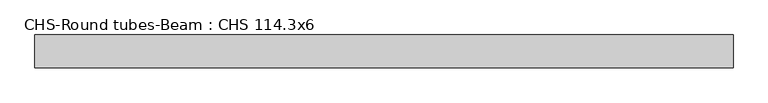
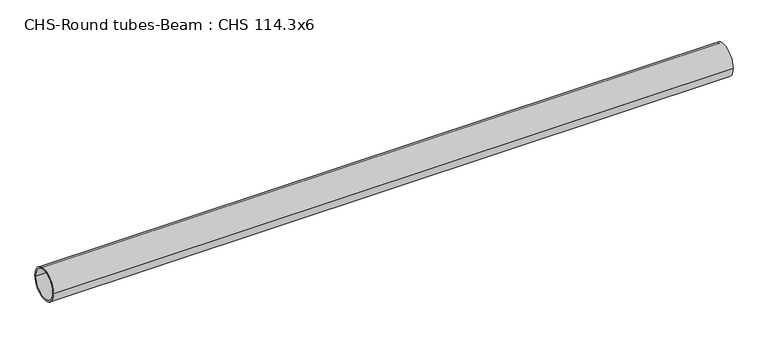
"""IFC4 building model written with IfcOpenShell, lengths in millimetres: beam geometry, CHS-Round tubes-Beam : CHS 114.3x6."""

from ifc_helpers import new_model, si_unit, point, frame, origin, origin_2d, place, context, project, spatial, circle_curve, trimmed, segment, composite_curve, outline, extrude, source, transform, mapped, element, save


def chs_round_tubes_beam_chs_114_3x6_8ea8528c(model_context):
    return source(origin(), model_context, "Body", "SweptSolid", [
        extrude(outline(composite_curve([segment(trimmed(circle_curve(origin_2d(), 57.15), [point((57.15, 0.0))], [point((-57.15, 0.0))], False, "CARTESIAN"), True, "CONTINUOUS"), segment(trimmed(circle_curve(origin_2d(), 57.15), [point((-57.15, 0.0))], [point((57.15, 0.0))], False, "CARTESIAN"), True, "CONTINUOUS")], self_intersect=False), holes=[composite_curve([segment(trimmed(circle_curve(origin_2d(), 51.15), [point((51.15, 0.0))], [point((-51.15, 0.0))], True, "CARTESIAN"), True, "CONTINUOUS"), segment(trimmed(circle_curve(origin_2d(), 51.15), [point((-51.15, 0.0))], [point((51.15, 0.0))], True, "CARTESIAN"), True, "CONTINUOUS")], self_intersect=False)]), frame((-1159.2546395, 0.0, 0.0), z_axis=(1.0, 0.0, 0.0), x_axis=(0.0, 1.0, 0.0)), (0.0, 0.0, 1.0), 2425.6114616),
    ])


if __name__ == "__main__":
    model = new_model("IFC4")
    model_context = context("Model", 3, world=origin())
    ifc_project = project(units=[si_unit("LENGTHUNIT", "METRE", prefix="MILLI")], contexts=[model_context])
    site = spatial("IfcSite", under=ifc_project)
    building = spatial("IfcBuilding", under=site)
    placement = place(None, origin())
    chs_round_tubes_beam_chs_114_3x6_shape = chs_round_tubes_beam_chs_114_3x6_8ea8528c(model_context)
    element("IfcBeam", 1, ObjectType="CHS-Round tubes-Beam : CHS 114.3x6", at=placement, inside=building, context=model_context, shape_type="MappedRepresentation", body=[
        mapped(chs_round_tubes_beam_chs_114_3x6_shape, transform((0.0, 0.0, 0.0), x_axis=(1.0, 0.0, 0.0), y_axis=(0.0, 1.0, 0.0), z_axis=(0.0, 0.0, 1.0))),
    ])
    save(model, "model.ifc")
